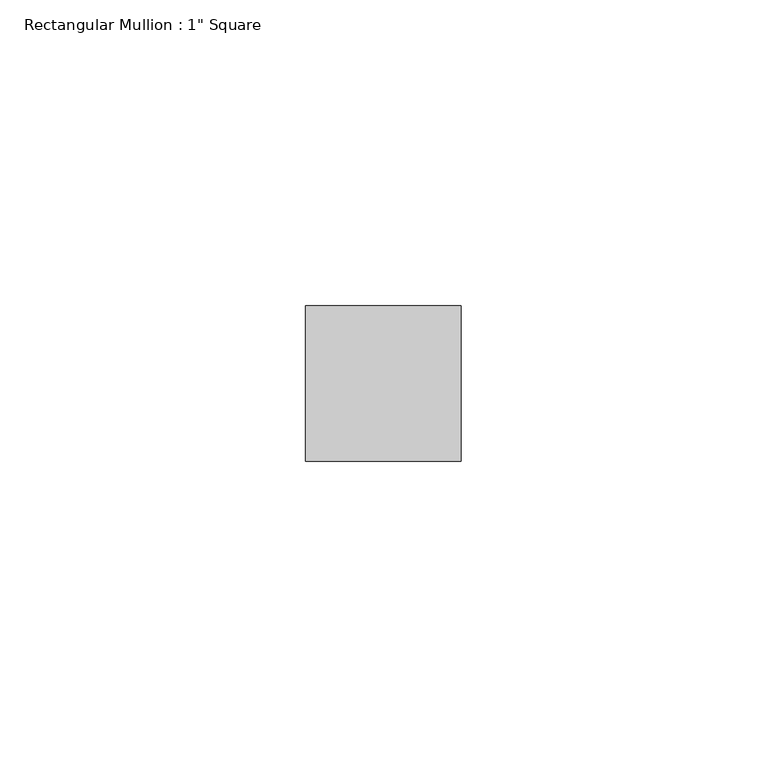
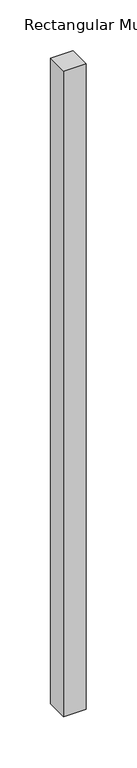
"""IFC4 building model written with IfcOpenShell, lengths in millimetres: member geometry."""

from ifc_helpers import new_model, si_unit, frame, origin, place, context, project, spatial, polyline, outline, extrude, source, transform, mapped, element, save


def member_d0889910(model_context):
    return source(origin(), model_context, "Body", "SweptSolid", [
        extrude(outline(polyline([(12.7, 12.7), (12.7, -12.7), (-12.7, -12.7), (-12.7, 12.7), (12.7, 12.7)])), frame((0.0, 0.0, -773.991615), z_axis=(0.0, 0.0, 1.0), x_axis=(1.0, 0.0, 0.0)), (0.0, 0.0, 1.0), 773.991615),
    ])


if __name__ == "__main__":
    model = new_model("IFC4")
    model_context = context("Model", 3, world=origin())
    ifc_project = project(units=[si_unit("LENGTHUNIT", "METRE", prefix="MILLI")], contexts=[model_context])
    site = spatial("IfcSite", under=ifc_project)
    building = spatial("IfcBuilding", under=site)
    placement = place(None, origin())
    member_shape = member_d0889910(model_context)
    element("IfcMember", 1, ObjectType="Rectangular Mullion : 1\" Square", at=placement, inside=building, context=model_context, shape_type="MappedRepresentation", body=[
        mapped(member_shape, transform((0.0, 0.0, 0.0), x_axis=(1.0, 0.0, 0.0), y_axis=(0.0, 1.0, 0.0), z_axis=(0.0, 0.0, 1.0))),
    ])
    save(model, "model.ifc")
